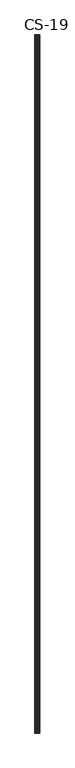
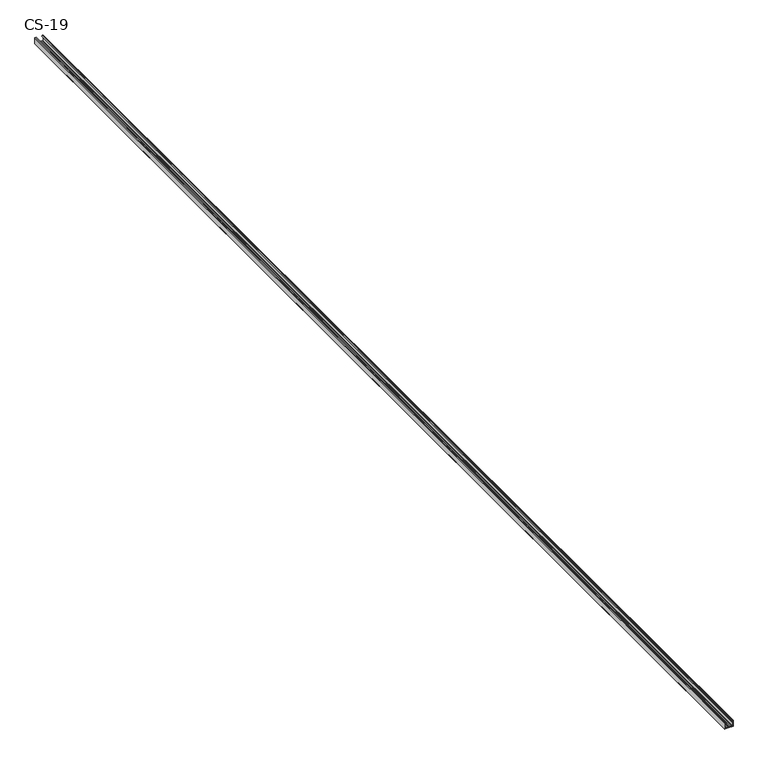
"""IFC4 building model written with IfcOpenShell, lengths in millimetres: proxy geometry, CS-19."""

from ifc_helpers import new_model, si_unit, point, frame, frame_2d, origin, place, context, project, spatial, polyline, circle_curve, trimmed, segment, composite_curve, outline, extrude, source, transform, mapped, element, save


def cs_19_8d14a67c(model_context):
    return source(origin(), model_context, "Body", "SweptSolid", [
        extrude(outline(composite_curve([segment(polyline([(-19.0, -12.5), (-19.0, -7.6), (-17.7, -7.6), (-17.7, -6.8), (-18.5, -6.8), (-18.5, -4.7), (-17.7, -4.7), (-17.7, -3.9), (-18.5, -3.9), (-18.5, -1.8), (-17.7, -1.8), (-17.7, -1.0), (-18.5, -1.0), (-18.5, 1.0), (-17.7, 1.0), (-17.7, 1.8), (-18.5, 1.8), (-18.5, 3.9), (-17.7, 3.9), (-17.7, 4.7), (-18.5, 4.7), (-18.5, 6.8), (-17.7, 6.8), (-17.7, 7.6), (-19.0, 7.6), (-19.0, 12.5), (-1.0, 12.5)]), True, "CONTINUOUS"), segment(trimmed(circle_curve(frame_2d((-1.0, 11.5)), 1.0), [point((-1.0, 12.5))], [point((0.0, 11.5))], False, "CARTESIAN"), True, "CONTINUOUS"), segment(polyline([(0.0, 11.5), (0.0, 9.2778679)]), True, "CONTINUOUS"), segment(trimmed(circle_curve(frame_2d((-0.7947911, 9.3690108)), 0.8), [point((0.0, 9.2778679))], [point((-0.4479055, 8.6481292))], False, "CARTESIAN"), True, "CONTINUOUS"), segment(polyline([(-0.4479055, 8.6481292), (-2.9940841, 8.0), (-3.1346768, 8.7973409), (-0.5, 9.1466568), (-0.5, 11.5)]), True, "CONTINUOUS"), segment(trimmed(circle_curve(frame_2d((-1.0, 11.5)), 0.5), [point((-0.5, 11.5))], [point((-1.0, 12.0))], True, "CARTESIAN"), True, "CONTINUOUS"), segment(polyline([(-1.0, 12.0), (-18.5, 12.0), (-18.5, 8.0671937), (-17.2, 8.0671937), (-17.2, 6.3), (-18.0, 6.3), (-18.0, 5.2), (-17.2, 5.2), (-17.2, 3.4), (-18.0, 3.4), (-18.0, 2.3), (-17.2, 2.3), (-17.2, 0.5), (-18.0, 0.5), (-18.0, -0.5), (-17.2, -0.5), (-17.2, -2.3), (-18.0, -2.3), (-18.0, -3.4), (-17.2, -3.4), (-17.2, -5.2), (-18.0, -5.2), (-18.0, -6.3), (-17.2, -6.3), (-17.2, -8.1), (-18.5, -8.1), (-18.5, -12.0), (-1.0, -12.0)]), True, "CONTINUOUS"), segment(trimmed(circle_curve(frame_2d((-1.0, -11.5)), 0.5), [point((-1.0, -12.0))], [point((-0.5, -11.5))], True, "CARTESIAN"), True, "CONTINUOUS"), segment(polyline([(-0.5, -11.5), (-0.5, -9.1466568), (-3.1346768, -8.7973409), (-2.9940841, -8.0), (-0.4479055, -8.6481292)]), True, "CONTINUOUS"), segment(trimmed(circle_curve(frame_2d((-0.7947911, -9.3690108)), 0.8), [point((-0.4479055, -8.6481292))], [point((0.0, -9.2778679))], False, "CARTESIAN"), True, "CONTINUOUS"), segment(polyline([(0.0, -9.2778679), (0.0, -11.5)]), True, "CONTINUOUS"), segment(trimmed(circle_curve(frame_2d((-1.0, -11.5)), 1.0), [point((0.0, -11.5))], [point((-1.0, -12.5))], False, "CARTESIAN"), True, "CONTINUOUS"), segment(polyline([(-1.0, -12.5), (-19.0, -12.5)]), True, "CONTINUOUS")], self_intersect=False)), frame((0.0, 0.0, 0.0), z_axis=(0.0, 1.0, 0.0), x_axis=(0.0, 0.0, 1.0)), (0.0, 0.0, 1.0), 3500.0),
    ])


if __name__ == "__main__":
    model = new_model("IFC4")
    model_context = context("Model", 3, world=origin())
    ifc_project = project(units=[si_unit("LENGTHUNIT", "METRE", prefix="MILLI")], contexts=[model_context])
    site = spatial("IfcSite", under=ifc_project)
    building = spatial("IfcBuilding", under=site)
    placement = place(None, origin())
    cs_19_shape = cs_19_8d14a67c(model_context)
    element("IfcBuildingElementProxy", 1, Name="CS-19", ObjectType="CS-19", at=placement, inside=building, context=model_context, shape_type="MappedRepresentation", body=[
        mapped(cs_19_shape, transform((0.0, 0.0, 0.0), x_axis=(1.0, 0.0, 0.0), y_axis=(0.0, 1.0, 0.0), z_axis=(0.0, 0.0, 1.0))),
    ])
    save(model, "model.ifc")
